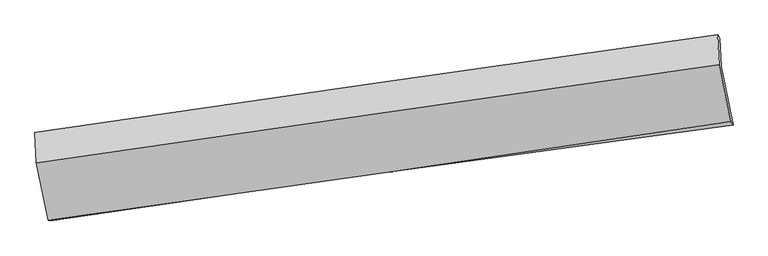
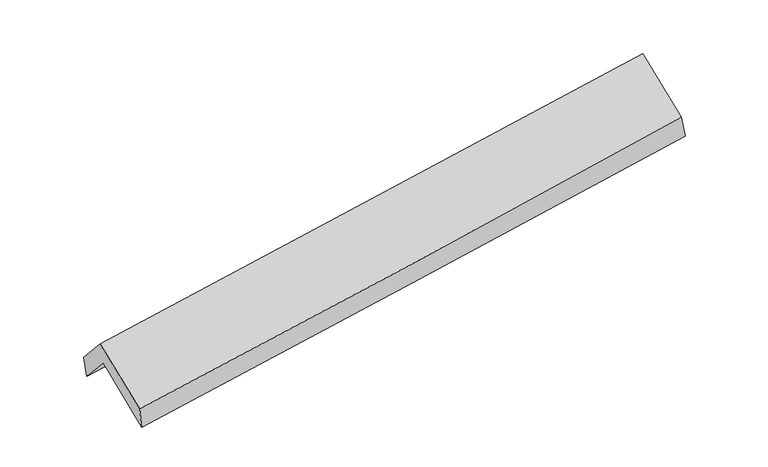
"""IFC4 building model written with IfcOpenShell, lengths in millimetres: proxy geometry."""

from ifc_helpers import new_model, si_unit, frame, origin, place, context, project, spatial, source, transform, mapped, element, save
from ifc_brep_helpers import plane_surface, spline_curve, spline_surface, advanced_brep


def generic_models_7c20a4ef(model_context):
    return source(origin(), model_context, "Body", "AdvancedBrep", [
        advanced_brep(
        [(-2906.8435426, -2503.2810306, 1437.5023927), (-3011.6479549, -2012.4044023, 1865.4570221), (2952.3841509, -1152.529308, 2368.1566211), (3057.880003, -1664.1919523, 1948.6664978), (-3023.6931685, -1744.9245605, 1560.3473191), (2943.1268485, -906.4769745, 2065.7123262), (-3042.4111394, -1732.7572231, 1763.5200154), (2923.2189285, -876.0062576, 2256.3273769), (-3030.3975962, -1995.5795264, 2061.1898064), (2935.2914969, -1136.7443964, 2549.3169112), (-2923.8863934, -2501.1310639, 1637.4801565), (3037.9479017, -1634.6355121, 2141.1174699)],
        [
            (0, 1),
            (1, 2, spline_curve(3, [(-3011.6479549, -2012.4044023, 1865.4570221), (-2018.35932248, -1852.421396321, 1930.654468726), (-1024.6759527, -1700.76900418, 2005.14856871), (963.334864891, -1414.146409488, 2172.717821206), (1957.662196906, -1279.173770414, 2265.790253845), (2952.3841509, -1152.529308, 2368.1566211)], [4, 2, 4], [0.0, 9.919154702708969, 19.83685860046168])),
            (2, 3),
            (3, 0, spline_curve(3, [(3057.880003, -1664.1919523, 1948.6664978), (2063.482997946, -1792.376871162, 1848.391707518), (1069.260540711, -1926.38788065, 1755.659867319), (-918.980692573, -2206.08253513, 1585.269625079), (-1912.999417017, -2351.767885679, 1507.613430484), (-2906.8435426, -2503.2810306, 1437.5023927)], [4, 2, 4], [0.0, 9.917703897752713, 19.83685860046168])),
            (1, 4),
            (4, 5, spline_curve(3, [(-3023.6931685, -1744.9245605, 1560.3473191), (-2029.240663345, -1589.53922701, 1619.359373851), (-1034.7430401, -1441.971389906, 1690.983154033), (954.196978932, -1162.491147793, 1859.441845632), (1948.639361047, -1030.576456339, 1956.273067594), (2943.1268485, -906.4769745, 2065.7123262)], [4, 2, 4], [0.0, 9.920741024024515, 19.840031011072718])),
            (5, 2),
            (4, 6),
            (6, 7, spline_curve(3, [(-3042.4111394, -1732.7572231, 1763.5200154), (-2048.180727871, -1585.685809161, 1839.743454104), (-1053.893320215, -1440.749122989, 1918.92567388), (934.650052656, -1155.166092249, 2083.195659534), (1928.906000694, -1014.51912343, 2168.282560738), (2923.2189285, -876.0062576, 2256.3273769)], [4, 2, 4], [0.0, 9.920438734211677, 19.839426475660844])),
            (7, 5),
            (6, 8),
            (8, 9, spline_curve(3, [(-3030.3975962, -1995.5795264, 2061.1898064), (-2036.087126839, -1851.074196309, 2140.70350559), (-1041.75477329, -1707.246752173, 2221.140656195), (946.808264093, -1420.968573706, 2383.849961562), (1941.038941892, -1278.517641121, 2466.121845609), (2935.2914969, -1136.7443964, 2549.3169112)], [4, 2, 4], [0.0, 9.920276533524758, 19.839102098010958])),
            (9, 7),
            (8, 10),
            (10, 11, spline_curve(3, [(-2923.8863934, -2501.1310639, 1637.4801565), (-1928.784238185, -2360.90323125, 1711.909487139), (-934.377351117, -2218.575917739, 1791.097345882), (1052.900543711, -1929.743453152, 1958.977842471), (2045.77175506, -1783.238915984, 2047.669088048), (3037.9479017, -1634.6355121, 2141.1174699)], [4, 2, 4], [0.0, 9.91908386109871, 19.836716927602666])),
            (11, 9),
            (10, 0),
            (3, 11),
        ],
        [
            spline_surface(3, 3, [[(-2906.8435426, -2503.2810306, 1437.5023927), (-1912.999416915, -2351.767885524, 1507.613430415), (-918.980692411, -2206.082535285, 1585.269625184), (1069.260540549, -1926.387880495, 1755.659867214), (2063.482997867, -1792.376871327, 1848.39170747), (3057.880003, -1664.1919523, 1948.6664978)], [(-2941.778346706, -2339.65548781, 1580.153935828), (-1948.119385406, -2185.319055807, 1648.627109808), (-954.212445794, -2037.644691557, 1725.229273041), (1033.951981982, -1755.640723467, 1894.679185173), (2028.209397545, -1621.309170983, 1987.524556294), (3022.714718951, -1493.637737525, 2088.496538915)], [(-2976.713150794, -2176.02994509, 1722.805478972), (-1983.239353878, -2018.870226162, 1789.640789215), (-989.444199226, -1869.206847907, 1865.188920932), (998.643423367, -1584.893566518, 2033.698503167), (1992.935797269, -1450.241470663, 2126.657405074), (2987.549434949, -1323.083522775, 2228.326579985)], [(-3011.6479549, -2012.4044023, 1865.4570221), (-2018.359322369, -1852.421396446, 1930.654468608), (-1024.675952609, -1700.769004178, 2005.14856879), (963.3348648, -1414.14640949, 2172.717821127), (1957.662196947, -1279.173770319, 2265.790253898), (2952.3841509, -1152.529308, 2368.1566211)]], [4, 4], [4, 2, 4], [0.0, 2.189001104270141], [0.0, 9.919154702708969, 19.83685860046168]),
            spline_surface(3, 3, [[(-3011.6479549, -2012.4044023, 1865.4570221), (-2018.359322369, -1852.421396446, 1930.654468608), (-1024.675952609, -1700.769004178, 2005.14856879), (963.3348648, -1414.14640949, 2172.717821127), (1957.662196947, -1279.173770319, 2265.790253898), (2952.3841509, -1152.529308, 2368.1566211)], [(-3015.663026079, -1923.244455056, 1763.753787789), (-2021.98643604, -1764.794006684, 1826.889437031), (-1028.031648408, -1614.503132744, 1900.426763918), (960.288902821, -1330.261322276, 2068.292495923), (1954.654585003, -1196.307999029, 2162.617858432), (2949.298383444, -1070.511863508, 2267.341856119)], [(-3019.678097321, -1834.084507744, 1662.050553411), (-2025.613549774, -1677.166616855, 1723.124405387), (-1031.387344219, -1528.237261297, 1795.704959034), (957.242940828, -1246.37623505, 1963.867170707), (1951.646973027, -1113.442227715, 2059.44546301), (2946.212615956, -988.494418992, 2166.527091181)], [(-3023.6931685, -1744.9245605, 1560.3473191), (-2029.240663444, -1589.539227093, 1619.35937381), (-1034.743040018, -1441.971389862, 1690.983154163), (954.196978849, -1162.491147837, 1859.441845503), (1948.639361084, -1030.576456425, 1956.273067544), (2943.1268485, -906.4769745, 2065.7123262)]], [4, 4], [4, 2, 4], [0.0, 1.327235488699423], [0.0, 9.920741024024515, 19.840031011072718]),
            spline_surface(3, 3, [[(-3023.6931685, -1744.9245605, 1560.3473191), (-2029.240663444, -1589.539227093, 1619.35937381), (-1034.743040018, -1441.971389862, 1690.983154163), (954.196978849, -1162.491147837, 1859.441845503), (1948.639361084, -1030.576456425, 1956.273067544), (2943.1268485, -906.4769745, 2065.7123262)], [(-3029.932492131, -1740.868781359, 1628.071551191), (-2035.554018266, -1588.254754463, 1692.820733954), (-1041.126466706, -1441.563967567, 1766.96399402), (947.681336746, -1160.04946264, 1934.026450232), (1942.061574274, -1025.22401207, 2026.942898606), (2936.490875151, -896.320068889, 2129.250676434)], [(-3036.171815769, -1736.813002241, 1695.795783309), (-2041.867373095, -1586.970281857, 1766.282094124), (-1047.509893402, -1441.156545279, 1842.944833872), (941.165694635, -1157.60777745, 2008.611054955), (1935.483787513, -1019.871567648, 2097.612729666), (2929.854901849, -886.163163211, 2192.789026666)], [(-3042.4111394, -1732.7572231, 1763.5200154), (-2048.180727917, -1585.685809226, 1839.743454267), (-1053.893320091, -1440.749122984, 1918.92567373), (934.650052532, -1155.166092253, 2083.195659684), (1928.906000703, -1014.519123292, 2168.282560728), (2923.2189285, -876.0062576, 2256.3273769)]], [4, 4], [4, 2, 4], [0.0, 0.7438190121257612], [0.0, 9.920438734211677, 19.839426475660844]),
            spline_surface(3, 3, [[(-3042.4111394, -1732.7572231, 1763.5200154), (-2048.180727917, -1585.685809226, 1839.743454267), (-1053.893320091, -1440.749122984, 1918.92567373), (934.650052532, -1155.166092253, 2083.195659684), (1928.906000703, -1014.519123292, 2168.282560728), (2923.2189285, -876.0062576, 2256.3273769)], [(-3038.406625012, -1820.364657531, 1862.74327907), (-2044.149527527, -1674.148604877, 1940.063471361), (-1049.847137845, -1529.581666037, 2019.66400128), (938.702789721, -1243.766919421, 2183.413760261), (1932.9503144, -1102.518629217, 2267.562322324), (2927.243117984, -962.918970508, 2353.990554997)], [(-3034.402110588, -1907.972091969, 1961.96654273), (-2040.1183271, -1762.611400536, 2040.383488443), (-1045.800955569, -1618.41420908, 2120.402328811), (942.755526938, -1332.367746578, 2283.63186082), (1936.994628046, -1190.518135219, 2366.84208393), (2931.267307416, -1049.831683492, 2451.653733103)], [(-3030.3975962, -1995.5795264, 2061.1898064), (-2036.08712671, -1851.074196187, 2140.703505536), (-1041.754773323, -1707.246752133, 2221.14065636), (946.808264126, -1420.968573746, 2383.849961397), (1941.038941743, -1278.517641143, 2466.121845527), (2935.2914969, -1136.7443964, 2549.3169112)]], [4, 4], [4, 2, 4], [0.0, 1.3198863114710582], [0.0, 9.920276533524758, 19.839102098010958]),
            spline_surface(3, 3, [[(-3030.3975962, -1995.5795264, 2061.1898064), (-2036.08712671, -1851.074196187, 2140.703505536), (-1041.754773323, -1707.246752133, 2221.14065636), (946.808264126, -1420.968573746, 2383.849961397), (1941.038941743, -1278.517641143, 2466.121845527), (2935.2914969, -1136.7443964, 2549.3169112)], [(-2994.893861918, -2164.096705561, 1919.953256425), (-2000.319497234, -2021.017207893, 1997.772166034), (-1005.962299288, -1877.689807351, 2077.792886222), (982.172357342, -1590.560200195, 2242.225921697), (1975.949879505, -1446.758066107, 2326.637592977), (2969.510298496, -1302.708101644, 2413.250430765)], [(-2959.390127682, -2332.613884739, 1778.716706475), (-1964.551867805, -2190.960219617, 1854.840826557), (-970.169825234, -2048.132862575, 1934.445116138), (1017.536450577, -1760.151826649, 2100.601882053), (2010.860817279, -1614.99849104, 2187.153340433), (3003.729100104, -1468.671806856, 2277.183950335)], [(-2923.8863934, -2501.1310639, 1637.4801565), (-1928.784238329, -2360.903231323, 1711.909487055), (-934.377351199, -2218.575917793, 1791.097345999), (1052.900543793, -1929.743453097, 1958.977842353), (2045.771755041, -1783.238916004, 2047.669087884), (3037.9479017, -1634.6355121, 2141.1174699)]], [4, 4], [4, 2, 4], [0.0, 2.211261813372845], [0.0, 9.91908386109871, 19.836716927602666]),
            spline_surface(3, 3, [[(-2923.8863934, -2501.1310639, 1637.4801565), (-1928.784238329, -2360.903231323, 1711.909487055), (-934.377351199, -2218.575917793, 1791.097345999), (1052.900543793, -1929.743453097, 1958.977842353), (2045.771755041, -1783.238916004, 2047.669087884), (3037.9479017, -1634.6355121, 2141.1174699)], [(-2918.205443153, -2501.847719485, 1570.820901896), (-1923.522631211, -2357.858116075, 1643.810801505), (-929.24513161, -2214.41145698, 1722.488105745), (1058.353876038, -1928.624928919, 1891.205183991), (2051.675502657, -1786.284901105, 1981.243294417), (3044.591935474, -1644.487658826, 2076.967145871)], [(-2912.524492847, -2502.564375015, 1504.161647304), (-1918.261024033, -2354.813000772, 1575.712115966), (-924.112912, -2210.246996099, 1653.878865438), (1063.807208305, -1927.506404673, 1823.432525576), (2057.579250251, -1789.330886227, 1914.817500937), (3051.235969226, -1654.339805574, 2012.816821829)], [(-2906.8435426, -2503.2810306, 1437.5023927), (-1912.999416915, -2351.767885524, 1507.613430415), (-918.980692411, -2206.082535285, 1585.269625184), (1069.260540549, -1926.387880495, 1755.659867214), (2063.482997867, -1792.376871327, 1848.39170747), (3057.880003, -1664.1919523, 1948.6664978)]], [4, 4], [4, 2, 4], [0.0, 0.6736919506566786], [0.0, 9.91772397118029, 19.833997346667356]),
            plane_surface(frame((2974.9748883, -1228.4307335, 2221.5495339), z_axis=(0.9872406101435003, 0.1369688692452139, 0.08121272401032388), x_axis=(0.15745649574038578, -0.763675588543207, -0.6261046617078844))),
            plane_surface(frame((-2989.8132992, -2081.6796345, 1720.9161187), z_axis=(-0.986885401692732, -0.13867929809979027, -0.08261510881385331), x_axis=(-0.08491103948978056, 0.010711583103583286, 0.9963309577445539))),
        ],
        [
            (0, [[1, 2, 3, 4]]),
            (1, [[5, 6, 7, -2]]),
            (2, [[8, 9, 10, -6]]),
            (3, [[11, 12, 13, -9]]),
            (4, [[14, 15, 16, -12]]),
            (5, [[17, -4, 18, -15]]),
            (6, [[-16, -18, -3, -7, -10, -13]]),
            (7, [[-17, -14, -11, -8, -5, -1]]),
        ],
    ),
    ])


if __name__ == "__main__":
    model = new_model("IFC4")
    model_context = context("Model", 3, world=origin())
    ifc_project = project(units=[si_unit("LENGTHUNIT", "METRE", prefix="MILLI")], contexts=[model_context])
    site = spatial("IfcSite", under=ifc_project)
    building = spatial("IfcBuilding", under=site)
    placement = place(None, origin())
    generic_models_shape = generic_models_7c20a4ef(model_context)
    element("IfcBuildingElementProxy", 1, Name="Generic Models", at=placement, inside=building, context=model_context, shape_type="MappedRepresentation", body=[
        mapped(generic_models_shape, transform((0.0, 0.0, 0.0), x_axis=(1.0, 0.0, 0.0), y_axis=(0.0, 1.0, 0.0), z_axis=(0.0, 0.0, 1.0))),
    ])
    save(model, "model.ifc")
